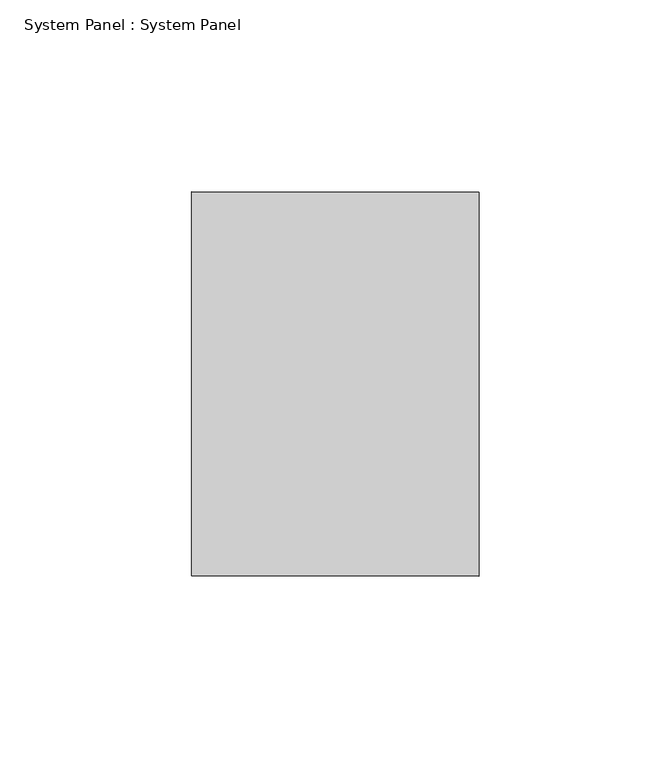
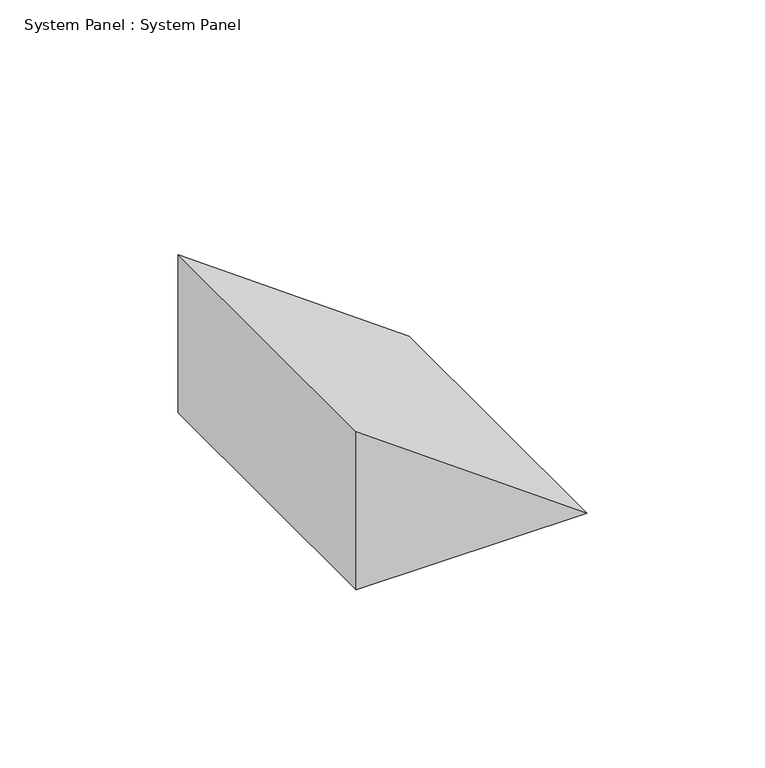
"""IFC4 building model written with IfcOpenShell, lengths in millimetres: plate geometry, System Panel : System Panel."""

from ifc_helpers import new_model, si_unit, point, frame, frame_2d, origin, place, context, project, spatial, polyline, circle_curve, trimmed, segment, composite_curve, outline, extrude, source, transform, mapped, element, save


def system_panel_system_panel_1ce2446b(model_context):
    return source(origin(), model_context, "Body", "SweptSolid", [
        extrude(outline(composite_curve([segment(trimmed(circle_curve(frame_2d((-11167.4463996, -8103.8134869)), 13819.9628563), [point((0.0, 37.4096559))], [point((54.1623346, -37.4096559))], False, "CARTESIAN"), True, "CONTINUOUS"), segment(polyline([(54.1623346, -37.4096559), (0.0, -37.4096559), (0.0, 37.4096559)]), True, "CONTINUOUS")], self_intersect=False)), frame((0.0, -50.0, 0.0), z_axis=(0.0, 1.0, 0.0), x_axis=(0.0, 0.0, 1.0)), (0.0, 0.0, 1.0), 100.0),
    ])


if __name__ == "__main__":
    model = new_model("IFC4")
    model_context = context("Model", 3, world=origin())
    ifc_project = project(units=[si_unit("LENGTHUNIT", "METRE", prefix="MILLI")], contexts=[model_context])
    site = spatial("IfcSite", under=ifc_project)
    building = spatial("IfcBuilding", under=site)
    placement = place(None, origin())
    system_panel_system_panel_shape = system_panel_system_panel_1ce2446b(model_context)
    element("IfcPlate", 1, ObjectType="System Panel : System Panel", at=placement, inside=building, context=model_context, shape_type="MappedRepresentation", body=[
        mapped(system_panel_system_panel_shape, transform((0.0, 0.0, 0.0), x_axis=(1.0, 0.0, 0.0), y_axis=(0.0, 1.0, 0.0), z_axis=(0.0, 0.0, 1.0))),
    ])
    save(model, "model.ifc")
